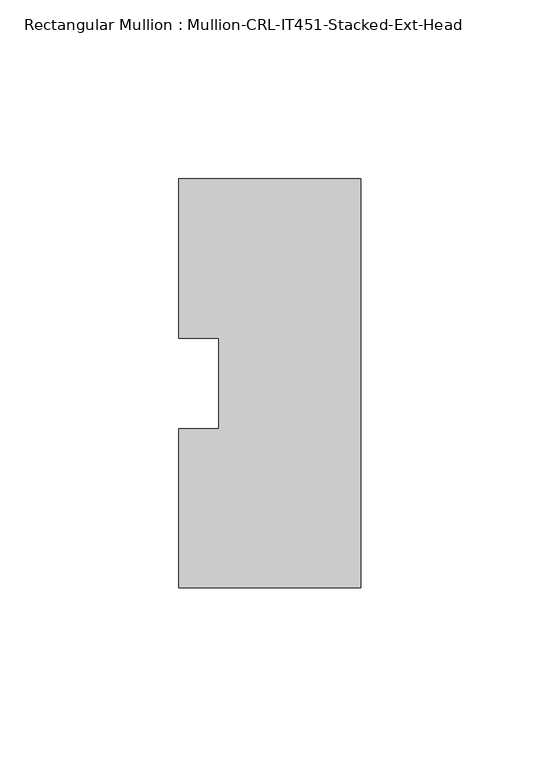
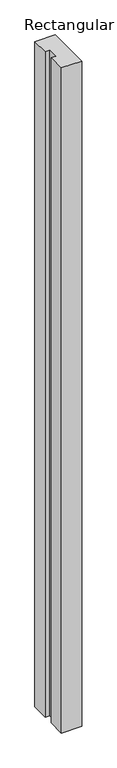
"""IFC4 building model written with IfcOpenShell, lengths in millimetres: member geometry, Rectangular Mullion : Mullion-CRL-IT451-Stacked-Ext-Head."""

from ifc_helpers import new_model, si_unit, frame, origin, place, context, project, spatial, polyline, outline, extrude, source, transform, mapped, element, save


def rectangular_mullion_mullion_crl_it451_stacked_ext_head_54c46b75(model_context):
    return source(origin(), model_context, "Body", "SweptSolid", [
        extrude(outline(polyline([(0.0, -57.15), (-50.8, -57.15), (-50.8, -12.7), (-39.6875, -12.7), (-39.6875, 12.6906895), (-50.8, 12.6906895), (-50.8, 57.15), (0.0, 57.15), (0.0, -57.15)])), frame((0.0, 0.0, -1752.6), z_axis=(0.0, 0.0, 1.0), x_axis=(1.0, 0.0, 0.0)), (0.0, 0.0, 1.0), 1752.6),
    ])


if __name__ == "__main__":
    model = new_model("IFC4")
    model_context = context("Model", 3, world=origin())
    ifc_project = project(units=[si_unit("LENGTHUNIT", "METRE", prefix="MILLI")], contexts=[model_context])
    site = spatial("IfcSite", under=ifc_project)
    building = spatial("IfcBuilding", under=site)
    placement = place(None, origin())
    rectangular_mullion_mullion_crl_it451_stacked_ext_head_shape = rectangular_mullion_mullion_crl_it451_stacked_ext_head_54c46b75(model_context)
    element("IfcMember", 1, ObjectType="Rectangular Mullion : Mullion-CRL-IT451-Stacked-Ext-Head", at=placement, inside=building, context=model_context, shape_type="MappedRepresentation", body=[
        mapped(rectangular_mullion_mullion_crl_it451_stacked_ext_head_shape, transform((0.0, 0.0, 0.0), x_axis=(1.0, 0.0, 0.0), y_axis=(0.0, 1.0, 0.0), z_axis=(0.0, 0.0, 1.0))),
    ])
    save(model, "model.ifc")
